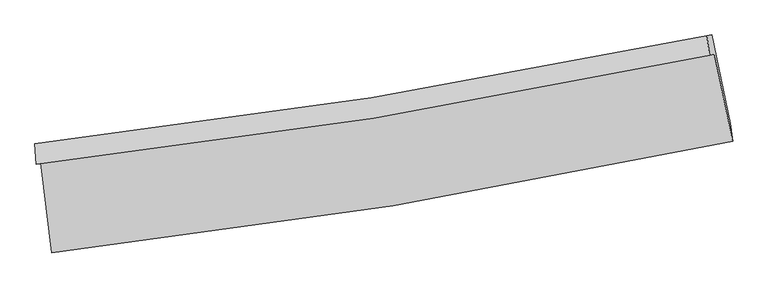
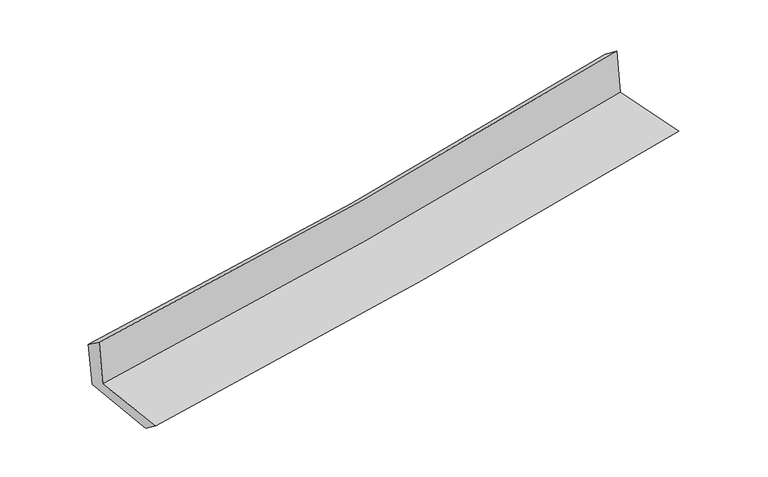
"""IFC4 building model written with IfcOpenShell, lengths in millimetres: proxy geometry."""

import ifcopenshell
import ifcopenshell.guid

model = None  # the IFC model being written
_history = None  # IfcOwnerHistory: only IFC2X3 demands one
_inside = {}  # id of a spatial element -> (the spatial element, [elements in it])
_under = {}  # id of a project, library or spatial element -> (it, [spatial elements below it])
_declared = {}  # id of a project -> (the project, [libraries it declares])
_typed = {}  # id of a type object -> (the type object, [elements of that type])
_made_of = {}  # id of a material, layer set ... -> (it, [elements and type objects made of it])


def new_model(schema):
    """Start an empty IFC model of exactly this schema.

    Asked for "IFC4X3", IfcOpenShell would pick the latest addendum, in which some entities
    have other attributes; the version numbers below select the first issue.
    IFC2X3 requires an IfcOwnerHistory on every rooted entity: one is made here for all.
    """
    global model, _history
    if schema == "IFC4X3":
        model = ifcopenshell.file(schema_version=(4, 3, 0, 0))
    else:
        model = ifcopenshell.file(schema=schema)
    _inside.clear()
    _under.clear()
    _declared.clear()
    _typed.clear()
    _made_of.clear()
    _history = None
    if model.schema == "IFC2X3":
        org = make("IfcOrganization", Name="unknown")
        user = make(
            "IfcPersonAndOrganization",
            ThePerson=make("IfcPerson", FamilyName="unknown"),
            TheOrganization=org,
        )
        app = make(
            "IfcApplication",
            ApplicationDeveloper=org,
            Version="unknown",
            ApplicationFullName="unknown",
            ApplicationIdentifier="unknown",
        )
        _history = make(
            "IfcOwnerHistory",
            OwningUser=user,
            OwningApplication=app,
            ChangeAction="ADDED",
            CreationDate=0,
        )
    return model


def make(cls, **values):
    """One entity of the class cls with the attributes given. An attribute that is None is left unset."""
    return model.create_entity(
        cls, **{name: value for name, value in values.items() if value is not None}
    )


def rooted(cls, **values):
    """An entity with a GlobalId (a new one), such as an element, a storey or a relation."""
    return make(cls, GlobalId=ifcopenshell.guid.new(), OwnerHistory=_history, **values)


def si_unit(unit_type, name, prefix=None):
    """IfcSIUnit, for example si_unit("LENGTHUNIT", "METRE", prefix="MILLI")."""
    return make("IfcSIUnit", UnitType=unit_type, Prefix=prefix, Name=name)


def assignment(units):
    """IfcUnitAssignment: the units of a project."""
    return None if units is None else make("IfcUnitAssignment", Units=units)


def point(xyz):
    """IfcCartesianPoint."""
    return None if xyz is None else make("IfcCartesianPoint", Coordinates=xyz)


def direction(xyz):
    """IfcDirection."""
    return None if xyz is None else make("IfcDirection", DirectionRatios=xyz)


def frame(location, z_axis=None, x_axis=None):
    """IfcAxis2Placement3D, a coordinate frame: its origin and axes. An axis left out is left unset."""
    return make(
        "IfcAxis2Placement3D",
        Location=point(location),
        Axis=direction(z_axis),
        RefDirection=direction(x_axis),
    )


def origin():
    """The frame at (0, 0, 0) with its axes left unset."""
    return frame((0.0, 0.0, 0.0))


def place(relative_to, where):
    """IfcLocalPlacement: puts the frame where relative to a parent placement (None: the world)."""
    return make(
        "IfcLocalPlacement", PlacementRelTo=relative_to, RelativePlacement=where
    )


def context(
    kind, dimensions, precision=None, world=None, true_north=None, identifier=None
):
    """IfcGeometricRepresentationContext, for example the 3D "Model" context."""
    return make(
        "IfcGeometricRepresentationContext",
        ContextIdentifier=identifier,
        ContextType=kind,
        CoordinateSpaceDimension=dimensions,
        Precision=precision,
        WorldCoordinateSystem=world,
        TrueNorth=true_north,
    )


def project(units=None, contexts=None):
    """IfcProject with its units and contexts."""
    return rooted(
        "IfcProject",
        Name="project",
        RepresentationContexts=contexts,
        UnitsInContext=assignment(units),
    )


def spatial(cls, under=None, at=None, **own):
    """A site, building, storey or space (cls), placed at a placement, below another one or the project."""
    s = rooted(cls, ObjectPlacement=at, **own)
    if under is not None:
        _under.setdefault(under.id(), (under, []))[1].append(s)
    return s


def shape(context_of_items, identifier, shape_type, items):
    """IfcShapeRepresentation: the items that make up one representation, for example the "Body"."""
    return make(
        "IfcShapeRepresentation",
        ContextOfItems=context_of_items,
        RepresentationIdentifier=identifier,
        RepresentationType=shape_type,
        Items=items,
    )


def source(mapping_origin, context_of_items, identifier, shape_type, items):
    """IfcRepresentationMap: a shape defined once, which mapped items show again and again."""
    return make(
        "IfcRepresentationMap",
        MappingOrigin=mapping_origin,
        MappedRepresentation=shape(context_of_items, identifier, shape_type, items),
    )


def transform(
    local_origin,
    x_axis=None,
    y_axis=None,
    z_axis=None,
    scale=None,
    scale2=None,
    scale3=None,
    uniform=True,
):
    """IfcCartesianTransformationOperator3D, or its non-uniform kind. x_axis, y_axis, z_axis: its Axis1, 2, 3."""
    if uniform:
        return make(
            "IfcCartesianTransformationOperator3D",
            Axis1=direction(x_axis),
            Axis2=direction(y_axis),
            LocalOrigin=point(local_origin),
            Scale=scale,
            Axis3=direction(z_axis),
        )
    return make(
        "IfcCartesianTransformationOperator3DnonUniform",
        Axis1=direction(x_axis),
        Axis2=direction(y_axis),
        LocalOrigin=point(local_origin),
        Scale=scale,
        Axis3=direction(z_axis),
        Scale2=scale2,
        Scale3=scale3,
    )


def mapped(mapping_source, mapping_target):
    """IfcMappedItem: shows the shape of a source again, moved by a transform."""
    return make(
        "IfcMappedItem", MappingSource=mapping_source, MappingTarget=mapping_target
    )


def made_of(thing, what):
    """Note that an element or type object is made of a material, layer set ...; save() writes the relation."""
    if what is not None:
        _made_of.setdefault(what.id(), (what, []))[1].append(thing)
    return thing


def element(
    cls,
    number,
    at=None,
    inside=None,
    cuts=None,
    type_object=None,
    material=None,
    context=None,
    identifier="Body",
    shape_type=None,
    held_by="IfcProductDefinitionShape",
    body=None,
    shapes=None,
    **own,
):
    """One element of the class cls, such as IfcWall. Its Tag is "e" and its number.

    at: its placement. inside: the storey or other place that contains it. cuts: it is an
    opening in that element (IfcRelVoidsElement). A single representation is given by context,
    identifier, shape_type and body (its items); several are given by shapes. held_by: the class
    of the entity that holds the representations. save() writes the other relations.
    """
    e = rooted(cls, Tag="e%d" % number, ObjectPlacement=at, **own)
    if body is not None:
        shapes = [shape(context, identifier, shape_type, body)]
    if shapes is not None:
        e.Representation = make(held_by, Representations=shapes)
    if inside is not None:
        _inside.setdefault(inside.id(), (inside, []))[1].append(e)
    if cuts is not None:
        rooted(
            "IfcRelVoidsElement", RelatingBuildingElement=cuts, RelatedOpeningElement=e
        )
    if type_object is not None:
        _typed.setdefault(type_object.id(), (type_object, []))[1].append(e)
    return made_of(e, material)


def aggregate(whole, parts):
    """IfcRelAggregates: a whole, such as a stair, and the parts it consists of."""
    return rooted("IfcRelAggregates", RelatingObject=whole, RelatedObjects=parts)


def save(model, path):
    """Write the relations noted so far, then the file.

    IfcRelAggregates (storeys below a building ...), IfcRelContainedInSpatialStructure (elements
    in a storey), IfcRelDefinesByType, IfcRelAssociatesMaterial and IfcRelDeclares: one each for
    every whole, place, type object, material and project.
    """
    for whole, parts in _under.values():
        aggregate(whole, parts)
    for where, things in _inside.values():
        rooted(
            "IfcRelContainedInSpatialStructure",
            RelatedElements=things,
            RelatingStructure=where,
        )
    for kind, things in _typed.values():
        rooted("IfcRelDefinesByType", RelatedObjects=things, RelatingType=kind)
    for what, things in _made_of.values():
        rooted("IfcRelAssociatesMaterial", RelatedObjects=things, RelatingMaterial=what)
    for by, libraries in _declared.values():
        rooted("IfcRelDeclares", RelatingContext=by, RelatedDefinitions=libraries)
    model.write(path)


def plane_surface(at):
    """IfcPlane: the flat surface through the origin of the frame at, square to its z axis."""
    return make("IfcPlane", Position=at)


def spline_curve(degree, points, multiplicities, knots, weights=None):
    """IfcBSplineCurveWithKnots; with weights, IfcRationalBSplineCurveWithKnots."""
    own = dict(
        Degree=degree,
        ControlPointsList=[point(p) for p in points],
        CurveForm="UNSPECIFIED",
        ClosedCurve=False,
        SelfIntersect=False,
        KnotMultiplicities=multiplicities,
        Knots=knots,
        KnotSpec="UNSPECIFIED",
    )
    if weights is None:
        return make("IfcBSplineCurveWithKnots", **own)
    return make("IfcRationalBSplineCurveWithKnots", WeightsData=weights, **own)


def spline_surface(u_degree, v_degree, points, u_multiplicities, v_multiplicities, u_knots, v_knots, weights=None):
    """IfcBSplineSurfaceWithKnots; with weights, IfcRationalBSplineSurfaceWithKnots. points: one row for each step in u."""
    own = dict(
        UDegree=u_degree,
        VDegree=v_degree,
        ControlPointsList=[[point(p) for p in row] for row in points],
        SurfaceForm="UNSPECIFIED",
        UClosed=False,
        VClosed=False,
        SelfIntersect=False,
        UMultiplicities=u_multiplicities,
        VMultiplicities=v_multiplicities,
        UKnots=u_knots,
        VKnots=v_knots,
        KnotSpec="UNSPECIFIED",
    )
    if weights is None:
        return make("IfcBSplineSurfaceWithKnots", **own)
    return make("IfcRationalBSplineSurfaceWithKnots", WeightsData=weights, **own)


def advanced_brep(points, edges, surfaces, faces):
    """IfcAdvancedBrep: a solid bounded by faces that lie on surfaces and meet in shared edges.

    An edge is (start, end): straight between two places in points (the first is 0);
    or (start, end, curve); or (start, end, curve, False) where it runs against its curve.
    A face is (place in surfaces, loops), or (place, loops, False) where it looks against
    its surface's normal. A loop lists edges by number (the first is 1), with a minus sign
    where the edge is run from its end to its start. The first loop is the outer one.
    """
    corners = [point(p) for p in points]
    vertices = [make("IfcVertexPoint", VertexGeometry=c) for c in corners]
    made = []
    for start, end, *more in edges:
        made.append(
            make(
                "IfcEdgeCurve",
                EdgeStart=vertices[start],
                EdgeEnd=vertices[end],
                EdgeGeometry=more[0] if more else make("IfcPolyline", Points=[corners[start], corners[end]]),
                SameSense=more[1] if len(more) > 1 else True,
            )
        )
    hull = []
    for where, loops, *sense in faces:
        bounds = []
        for j, loop in enumerate(loops):
            ring = [make("IfcOrientedEdge", EdgeElement=made[abs(k) - 1], Orientation=k > 0) for k in loop]
            bounds.append(
                make(
                    "IfcFaceOuterBound" if j == 0 else "IfcFaceBound",
                    Bound=make("IfcEdgeLoop", EdgeList=ring),
                    Orientation=True,
                )
            )
        hull.append(make("IfcAdvancedFace", Bounds=bounds, FaceSurface=surfaces[where], SameSense=sense[0] if sense else True))
    return make("IfcAdvancedBrep", Outer=make("IfcClosedShell", CfsFaces=hull))


def generic_models_59d63876(model_context):
    return source(origin(), model_context, "Body", "AdvancedBrep", [
        advanced_brep(
        [(-2500.3747345, -1880.5617847, 1656.7428594), (-2419.4323881, -2542.6663362, 1647.5050907), (2582.1608302, -1724.0600827, 2100.4606004), (2448.3266173, -1083.1088067, 2117.0354173), (-2536.5185966, -1890.9394196, 2054.8694117), (2412.6451921, -1093.3536667, 2510.0682031), (-2544.7464233, -1743.2302871, 1952.2899312), (2393.0671513, -947.5775858, 2400.8959135), (-2509.3416103, -1738.2986865, 1569.0423445), (2429.3573437, -942.5125702, 2012.645978), (-2426.7012021, -2399.8548789, 1541.0220442), (2565.2503693, -1590.5855481, 1989.9412308)],
        [
            (0, 1),
            (1, 2, spline_curve(3, [(-2419.4323881, -2542.6663362, 1647.5050907), (-1581.619849695, -2447.548918591, 1734.641496856), (-746.640192524, -2331.928690972, 1815.900116383), (920.577491386, -2059.20428489, 1966.926667664), (1752.795573295, -1901.955761466, 2036.653217903), (2582.1608302, -1724.0600827, 2100.4606004)], [4, 2, 4], [0.0, 8.290622254658677, 16.61037742603378])),
            (2, 3),
            (3, 0, spline_curve(3, [(2448.3266173, -1083.1088067, 2117.0354173), (1627.825461894, -1256.292912158, 2047.810123155), (804.454787618, -1409.420819004, 1974.765800709), (-845.132390874, -1675.098264712, 1821.308249267), (-1671.328833546, -1787.788017118, 1740.921718716), (-2500.3747345, -1880.5617847, 1656.7428594)], [4, 2, 4], [0.0, 8.319755171375101, 16.61037742603378])),
            (4, 0),
            (3, 5),
            (5, 4, spline_curve(3, [(2412.6451921, -1093.3536667, 2510.0682031), (1592.216001955, -1266.517109365, 2440.050206879), (768.842575432, -1419.645806506, 2367.036199577), (-880.899270617, -1685.367660322, 2215.282323924), (-1707.247107006, -1798.100880702, 2136.563400791), (-2536.5185966, -1890.9394196, 2054.8694117)], [4, 2, 4], [0.0, 8.274673863888548, 16.5203726702704])),
            (6, 4),
            (5, 7),
            (7, 6, spline_curve(3, [(2393.0671513, -947.5775858, 2400.8959135), (1575.301936976, -1120.160111087, 2323.422064435), (754.207333947, -1272.837205788, 2247.237999012), (-891.753800117, -1537.91561318, 2097.711688366), (-1716.597055283, -1650.456085615, 2024.360426664), (-2544.7464233, -1743.2302871, 1952.2899312)], [4, 2, 4], [0.0, 8.264692565694158, 16.500445024949656])),
            (8, 6),
            (7, 9),
            (9, 8, spline_curve(3, [(2429.3573437, -942.5125702, 2012.645978), (1610.983389309, -1115.184559815, 1940.96258172), (789.510909804, -1267.917465134, 1868.086990574), (-856.743736983, -1533.040108648, 1720.210777899), (-1681.504241868, -1645.569242133, 1645.218491296), (-2509.3416103, -1738.2986865, 1569.0423445)], [4, 2, 4], [0.0, 8.255140421769507, 16.481374185417963])),
            (10, 8),
            (9, 11),
            (11, 10, spline_curve(3, [(2565.2503693, -1590.5855481, 1989.9412308), (1737.282198524, -1760.902936873, 1917.564692809), (906.56772564, -1913.588152461, 1843.898620689), (-757.435330909, -2183.221328905, 1694.249876824), (-1590.704715228, -2300.29255668, 1618.276219896), (-2426.7012021, -2399.8548789, 1541.0220442)], [4, 2, 4], [0.0, 8.300360268026495, 16.57165553360716])),
            (1, 10),
            (11, 2),
        ],
        [
            spline_surface(3, 3, [[(-2500.3747345, -1880.5617847, 1656.7428594), (-1671.328833557, -1787.788016987, 1740.92171882), (-845.13239074, -1675.098264585, 1821.308249168), (804.454787483, -1409.420819132, 1974.765800808), (1627.825461918, -1256.292912193, 2047.810123108), (2448.3266173, -1083.1088067, 2117.0354173)], [(-2473.393952362, -2101.263301866, 1653.663603192), (-1641.425838973, -2007.708317491, 1738.828311531), (-812.301657988, -1894.041740024, 1819.505538267), (843.162355384, -1626.015307754, 1972.152756386), (1669.482165704, -1471.513861926, 2044.091154716), (2492.938021593, -1296.759232007, 2111.510478347)], [(-2446.413170238, -2321.964819034, 1650.584346908), (-1611.522844402, -2227.628617996, 1736.734904164), (-779.470925157, -2112.985215444, 1817.702827386), (881.869923365, -1842.609796357, 1969.539711983), (1711.138869509, -1686.734811738, 2040.372186282), (2537.549425907, -1510.409657393, 2105.985539353)], [(-2419.4323881, -2542.6663362, 1647.5050907), (-1581.619849817, -2447.5489185, 1734.641496875), (-746.640192405, -2331.928690884, 1815.900116486), (920.577491266, -2059.204284979, 1966.926667562), (1752.795573295, -1901.955761471, 2036.653217889), (2582.1608302, -1724.0600827, 2100.4606004)]], [4, 4], [4, 2, 4], [0.0, 2.1722016161205837], [0.0, 8.290622254658677, 16.61037742603378]),
            spline_surface(3, 3, [[(-2536.5185966, -1890.9394196, 2054.8694117), (-1707.247107051, -1798.100880829, 2136.563400687), (-880.899270691, -1685.367660295, 2215.282323892), (768.842575507, -1419.645806534, 2367.036199609), (1592.216002057, -1266.517109486, 2440.050206893), (2412.6451921, -1093.3536667, 2510.0682031)], [(-2524.470642582, -1887.480207959, 1922.160560915), (-1695.274349235, -1794.66325954, 2004.682840046), (-868.976977369, -1681.944528385, 2083.95763231), (780.713312838, -1416.237477393, 2236.279400002), (1604.085822008, -1263.109043744, 2309.303512283), (2424.539000497, -1089.938713389, 2379.057274485)], [(-2512.422688518, -1884.020996341, 1789.451710185), (-1683.301591373, -1791.225638275, 1872.802279461), (-857.054684062, -1678.521396495, 1952.632940749), (792.584050152, -1412.829148272, 2105.522600415), (1615.955641968, -1259.700977935, 2178.556817718), (2436.432808903, -1086.523760011, 2248.046345915)], [(-2500.3747345, -1880.5617847, 1656.7428594), (-1671.328833557, -1787.788016987, 1740.92171882), (-845.13239074, -1675.098264585, 1821.308249168), (804.454787483, -1409.420819132, 1974.765800808), (1627.825461918, -1256.292912193, 2047.810123108), (2448.3266173, -1083.1088067, 2117.0354173)]], [4, 4], [4, 2, 4], [0.0, 1.2955017616842082], [0.0, 8.245698806381853, 16.5203726702704]),
            spline_surface(3, 3, [[(-2544.7464233, -1743.2302871, 1952.2899312), (-1716.59705542, -1650.456085553, 2024.360426558), (-891.753800132, -1537.915613107, 2097.711688445), (754.207333962, -1272.837205861, 2247.237998933), (1575.301936926, -1120.160111201, 2323.422064491), (2393.0671513, -947.5775858, 2400.8959135)], [(-2542.003814411, -1792.466664632, 1986.483091361), (-1713.480405975, -1699.671017343, 2061.761417929), (-888.135623649, -1587.066295528, 2136.901900279), (759.085747813, -1321.77340611, 2287.17073251), (1580.939958646, -1168.945777299, 2362.298111947), (2399.59316491, -996.169612769, 2437.286676689)], [(-2539.261205489, -1841.703042068, 2020.676251539), (-1710.363756496, -1748.885949039, 2099.162409317), (-884.517447175, -1636.216977874, 2176.092112058), (763.964161655, -1370.709606284, 2327.103466032), (1586.577980337, -1217.731443389, 2401.174159437), (2406.11917849, -1044.761639731, 2473.677439911)], [(-2536.5185966, -1890.9394196, 2054.8694117), (-1707.247107051, -1798.100880829, 2136.563400687), (-880.899270691, -1685.367660295, 2215.282323892), (768.842575507, -1419.645806534, 2367.036199609), (1592.216002057, -1266.517109486, 2440.050206893), (2412.6451921, -1093.3536667, 2510.0682031)]], [4, 4], [4, 2, 4], [0.0, 0.6216002093332614], [0.0, 8.235752459255497, 16.500445024949656]),
            spline_surface(3, 3, [[(-2509.3416103, -1738.2986865, 1569.0423445), (-1681.504241835, -1645.569242222, 1645.218491357), (-856.743736903, -1533.040108713, 1720.210777972), (789.510909725, -1267.91746507, 1868.086990501), (1610.983389426, -1115.184559815, 1940.962581717), (2429.3573437, -942.5125702, 2012.645978)], [(-2521.143214611, -1739.942553351, 1696.791540075), (-1693.20184634, -1647.198189984, 1771.599136432), (-868.413757985, -1534.665276831, 1846.044414786), (777.743051132, -1269.557378653, 1994.470659967), (1599.089571906, -1116.843076933, 2068.449075976), (2417.26061288, -944.200908722, 2142.062623168)], [(-2532.944818989, -1741.586420249, 1824.540735625), (-1704.899450914, -1648.827137792, 1897.979781483), (-880.08377905, -1536.29044499, 1971.878051631), (765.975192555, -1271.197292278, 2120.854329466), (1587.195754446, -1118.501594084, 2195.935570231), (2405.16388212, -945.889247278, 2271.479268332)], [(-2544.7464233, -1743.2302871, 1952.2899312), (-1716.59705542, -1650.456085553, 2024.360426558), (-891.753800132, -1537.915613107, 2097.711688445), (754.207333962, -1272.837205861, 2247.237998933), (1575.301936926, -1120.160111201, 2323.422064491), (2393.0671513, -947.5775858, 2400.8959135)]], [4, 4], [4, 2, 4], [0.0, 1.2466879246228648], [0.0, 8.226233763648455, 16.481374185417963]),
            spline_surface(3, 3, [[(-2426.7012021, -2399.8548789, 1541.0220442), (-1590.704715332, -2300.292556642, 1618.276220002), (-757.435330964, -2183.221328779, 1694.249876718), (906.567725696, -1913.588152587, 1843.898620796), (1737.282198473, -1760.902936821, 1917.56469292), (2565.2503693, -1590.5855481, 1989.9412308)], [(-2454.248004835, -2179.336148101, 1550.362144321), (-1620.971224168, -2082.051451836, 1627.256977142), (-790.538132944, -1966.49425543, 1702.903510474), (867.548787038, -1698.364590088, 1851.961410703), (1695.182595478, -1545.663477803, 1925.363989194), (2519.952694121, -1374.561222118, 1997.509479875)], [(-2481.794807565, -1958.817417299, 1559.702244379), (-1651.237732998, -1863.810347028, 1636.237734218), (-823.640934923, -1749.767182061, 1711.557144216), (828.529848382, -1483.141027569, 1860.024200594), (1653.082992421, -1330.424018833, 1933.163285442), (2474.655018879, -1158.536896182, 2005.077728925)], [(-2509.3416103, -1738.2986865, 1569.0423445), (-1681.504241835, -1645.569242222, 1645.218491357), (-856.743736903, -1533.040108713, 1720.210777972), (789.510909725, -1267.91746507, 1868.086990501), (1610.983389426, -1115.184559815, 1940.962581717), (2429.3573437, -942.5125702, 2012.645978)]], [4, 4], [4, 2, 4], [0.0, 2.1567289568778554], [0.0, 8.271295265580665, 16.57165553360716]),
            spline_surface(3, 3, [[(-2419.4323881, -2542.6663362, 1647.5050907), (-1581.619849817, -2447.5489185, 1734.641496875), (-746.640192405, -2331.928690884, 1815.900116486), (920.577491266, -2059.204284979, 1966.926667562), (1752.795573295, -1901.955761471, 2036.653217889), (2582.1608302, -1724.0600827, 2100.4606004)], [(-2421.855326099, -2495.062517092, 1612.010741836), (-1584.648138321, -2398.463464539, 1695.85307122), (-750.238571901, -2282.359570164, 1775.350036564), (915.907569433, -2010.665574164, 1925.917318641), (1747.624448354, -1854.938153283, 1996.957042902), (2576.524009899, -1679.568571195, 2063.620810536)], [(-2424.278264101, -2447.458698008, 1576.516393064), (-1587.676426829, -2349.378010603, 1657.064645657), (-753.836951468, -2232.790449498, 1734.79995664), (911.237647529, -1962.126863402, 1884.907969717), (1742.453323414, -1807.92054501, 1957.260867907), (2570.887189601, -1635.077059605, 2026.781020664)], [(-2426.7012021, -2399.8548789, 1541.0220442), (-1590.704715332, -2300.292556642, 1618.276220002), (-757.435330964, -2183.221328779, 1694.249876718), (906.567725696, -1913.588152587, 1843.898620796), (1737.282198473, -1760.902936821, 1917.56469292), (2565.2503693, -1590.5855481, 1989.9412308)]], [4, 4], [4, 2, 4], [0.0, 0.6291722320770858], [0.0, 8.325734155500669, 16.680724609540206]),
            plane_surface(frame((2471.8012506, -1230.19971, 2188.5078905), z_axis=(0.9750578228060442, 0.20117281163340828, 0.09376428981358705), x_axis=(-0.09305769664870367, -0.012988045811141475, 0.9955760020010755))),
            plane_surface(frame((-2489.5191592, -2032.5918988, 1736.911947), z_axis=(-0.9884769895000682, -0.11954588614138116, -0.09285484551467509), x_axis=(-0.12133505739975886, 0.9925150100123706, 0.013847698218158745))),
        ],
        [
            (0, [[1, 2, 3, 4]]),
            (1, [[5, -4, 6, 7]]),
            (2, [[8, -7, 9, 10]]),
            (3, [[11, -10, 12, 13]]),
            (4, [[14, -13, 15, 16]]),
            (5, [[17, -16, 18, -2]]),
            (6, [[-12, -9, -6, -3, -18, -15]]),
            (7, [[-1, -5, -8, -11, -14, -17]]),
        ],
    ),
    ])


if __name__ == "__main__":
    model = new_model("IFC4")
    model_context = context("Model", 3, world=origin())
    ifc_project = project(units=[si_unit("LENGTHUNIT", "METRE", prefix="MILLI")], contexts=[model_context])
    site = spatial("IfcSite", under=ifc_project)
    building = spatial("IfcBuilding", under=site)
    placement = place(None, origin())
    generic_models_shape = generic_models_59d63876(model_context)
    element("IfcBuildingElementProxy", 1, Name="Generic Models", at=placement, inside=building, context=model_context, shape_type="MappedRepresentation", body=[
        mapped(generic_models_shape, transform((0.0, 0.0, 0.0), x_axis=(1.0, 0.0, 0.0), y_axis=(0.0, 1.0, 0.0), z_axis=(0.0, 0.0, 1.0))),
    ])
    save(model, "model.ifc")
